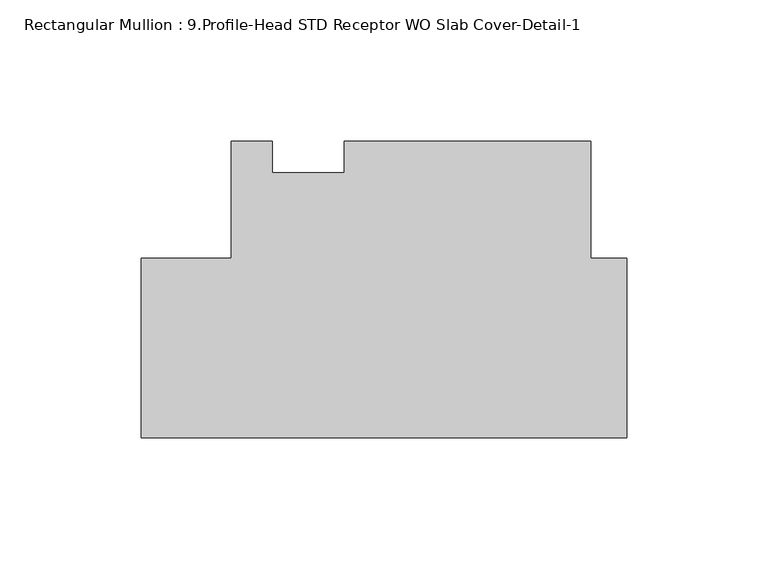
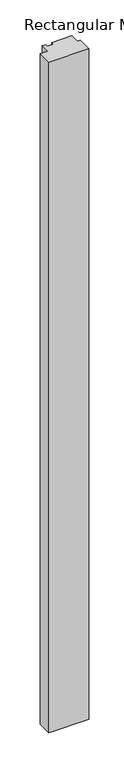
"""IFC4 building model written with IfcOpenShell, lengths in millimetres: member geometry, Rectangular Mullion : 9.Profile-Head STD Receptor WO Slab Cover-Detail-1."""

from ifc_helpers import new_model, si_unit, frame, origin, place, context, project, spatial, polyline, outline, extrude, source, transform, mapped, element, save


def rectangular_mullion_9_profile_head_std_receptor_wo_slab_c3ef9581(model_context):
    return source(origin(), model_context, "Body", "SweptSolid", [
        extrude(outline(polyline([(-139.6999999, 63.5254), (-139.6999999, 104.7749997), (-125.1975059, 104.7749997), (-125.1975059, 93.6624997), (-99.8142368, 93.6624997), (-99.8142368, 104.7749997), (-12.7010309, 104.7749997), (-12.7010309, 63.5322656), (0.0, 63.5322656), (0.0, 0.0), (-171.4499999, 0.0), (-171.4499999, 63.5254), (-139.6999999, 63.5254)])), frame((0.0, 0.0, -3048.0), z_axis=(0.0, 0.0, 1.0), x_axis=(1.0, 0.0, 0.0)), (0.0, 0.0, 1.0), 3048.0),
    ])


if __name__ == "__main__":
    model = new_model("IFC4")
    model_context = context("Model", 3, world=origin())
    ifc_project = project(units=[si_unit("LENGTHUNIT", "METRE", prefix="MILLI")], contexts=[model_context])
    site = spatial("IfcSite", under=ifc_project)
    building = spatial("IfcBuilding", under=site)
    placement = place(None, origin())
    rectangular_mullion_9_profile_head_std_receptor_wo_slab_shape = rectangular_mullion_9_profile_head_std_receptor_wo_slab_c3ef9581(model_context)
    element("IfcMember", 1, ObjectType="Rectangular Mullion : 9.Profile-Head STD Receptor WO Slab Cover-Detail-1", at=placement, inside=building, context=model_context, shape_type="MappedRepresentation", body=[
        mapped(rectangular_mullion_9_profile_head_std_receptor_wo_slab_shape, transform((0.0, 0.0, 0.0), x_axis=(1.0, 0.0, 0.0), y_axis=(0.0, 1.0, 0.0), z_axis=(0.0, 0.0, 1.0))),
    ])
    save(model, "model.ifc")
